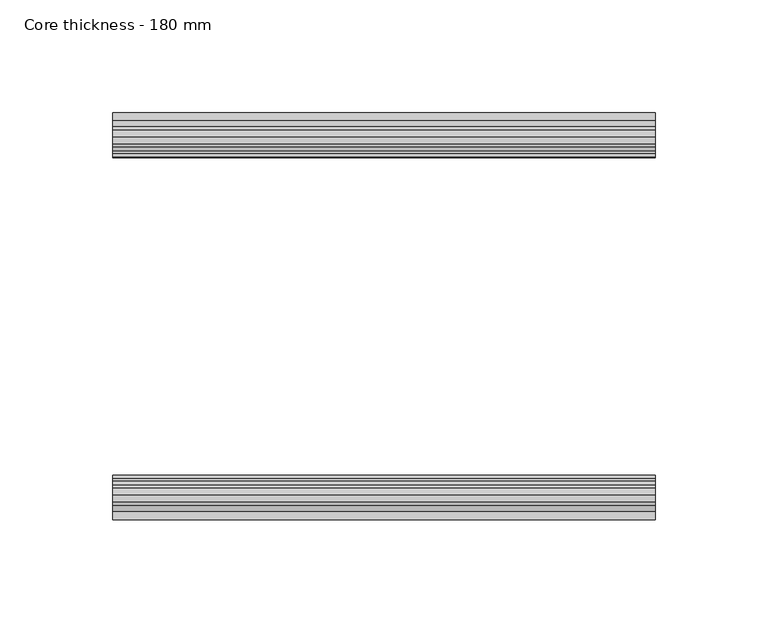
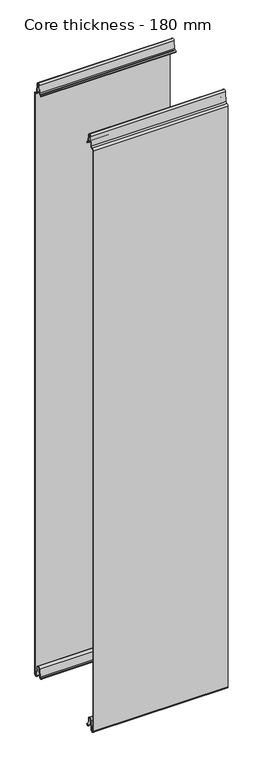
"""IFC4 building model written with IfcOpenShell, lengths in millimetres: plate geometry, Core thickness - 180 mm."""

from ifc_helpers import new_model, si_unit, frame, origin, place, context, project, spatial, polyline, circle_curve, source, transform, mapped, element, save
from ifc_brep_helpers import plane_surface, cylinder_surface, revolved_surface, advanced_brep


def core_thickness_180_mm_91efd744(model_context):
    return source(origin(), model_context, "Body", "AdvancedBrep", [
        advanced_brep(
        [(119.9999998, -179.1996949, 1093.8000005), (119.9999998, -176.6339815, 1096.1942726), (119.9999998, -173.1209335, 1099.1779769), (119.9999998, -171.4584333, 1116.1334653), (119.9999998, -169.1776715, 1118.1999998), (119.9999998, -166.8969097, 1116.1334653), (119.9999998, -165.5642071, 1102.5415123), (119.9999998, -162.9766159, 1100.1952279), (119.9999998, -161.8996949, 1100.1952279), (119.9999998, -161.2996949, 1099.5952279), (119.9999998, -161.2996949, 1098.4952279), (119.9999998, -160.4996949, 1098.4952279), (119.9999998, -160.4996949, 1099.5952279), (119.9999998, -161.8996949, 1100.9952279), (119.9999998, -162.9766159, 1100.9952279), (119.9999998, -164.7680252, 1102.6195786), (119.9999998, -166.1007278, 1116.2115316), (119.9999998, -169.1776715, 1119.0), (119.9999998, -172.2546153, 1116.2115316), (119.9999998, -173.9171154, 1099.2560432), (119.9999998, -176.5778021, 1097.005967), (119.9999998, -179.9996949, 1093.8000005), (119.9999998, -179.9996949, 2.9900682), (119.9999998, -173.81449, 2.6875612), (119.9999998, -172.197116, 19.1828169), (119.9999998, -169.1776715, 21.8898782), (119.9999998, -166.1582271, 19.1828169), (119.9999998, -164.7725998, 5.0510966), (119.9999998, -160.3830995, 5.265779), (119.9999998, -161.1830995, 5.265779), (119.9999998, -163.9764178, 5.1291629), (119.9999998, -165.3620451, 19.2608832), (119.9999998, -169.1776715, 22.6899182), (119.9999998, -172.9932979, 19.2608832), (119.9999998, -174.6106719, 2.7656275), (119.9999998, -179.1996949, 2.9900682), (-119.9999998, -179.2, 1093.8000005), (-119.9999998, -179.2, 2.9900682), (-119.9999998, -174.6106719, 2.7656275), (-119.9999998, -172.9932979, 19.2608832), (-119.9999998, -169.1776715, 22.6899182), (-119.9999998, -165.3620451, 19.2608832), (-119.9999998, -163.9764178, 5.1291629), (-119.9999998, -161.1830995, 5.265779), (-119.9999998, -160.3830995, 5.265779), (-119.9999998, -164.7725998, 5.0510966), (-119.9999998, -166.1582271, 19.1828169), (-119.9999998, -169.1776715, 21.8898782), (-119.9999998, -172.197116, 19.1828169), (-119.9999998, -173.81449, 2.6875612), (-119.9999998, -179.9996949, 2.9900682), (-119.9999998, -179.9996949, 1093.8000005), (-119.9999998, -176.5787437, 1096.9923633), (-119.9999998, -173.9171154, 1099.2560432), (-119.9999998, -172.2546153, 1116.2115316), (-119.9999998, -169.1776715, 1119.0), (-119.9999998, -166.1007278, 1116.2115316), (-119.9999998, -164.7680252, 1102.6195786), (-119.9999998, -162.9766159, 1100.9952279), (-119.9999998, -161.8996949, 1100.9952279), (-119.9999998, -160.4996949, 1099.5952279), (-119.9999998, -160.4996949, 1098.4952279), (-119.9999998, -161.2996949, 1098.4952279), (-119.9999998, -161.2996949, 1099.5952279), (-119.9999998, -161.8996949, 1100.1952279), (-119.9999998, -162.9766159, 1100.1952279), (-119.9999998, -165.5642071, 1102.5415123), (-119.9999998, -166.8969097, 1116.1334653), (-119.9999998, -169.1776715, 1118.1999998), (-119.9999998, -171.4584333, 1116.1334653), (-119.9999998, -173.1209335, 1099.1779769), (-119.9999998, -176.6330399, 1096.2078763)],
        [
            (0, 1, circle_curve(frame((119.9999998, -176.7996949, 1093.8000005), z_axis=(-1.0, 0.0, 0.0), x_axis=(0.0, 0.0, -1.0)), 2.4)),
            (1, 2, circle_curve(frame((119.9999998, -176.4051839, 1099.5000005), z_axis=(1.0, 0.0, 0.0), x_axis=(0.0, 0.0, -1.0)), 3.3)),
            (2, 3),
            (3, 4, circle_curve(frame((119.9999998, -169.1793626, 1115.9100005), z_axis=(-1.0, 0.0, 0.0), x_axis=(0.0, 0.0, -1.0)), 2.29)),
            (4, 5, circle_curve(frame((119.9999998, -169.1759805, 1115.9100005), z_axis=(-1.0, 0.0, 0.0), x_axis=(0.0, 0.0, -1.0)), 2.29)),
            (5, 6),
            (6, 7, circle_curve(frame((119.9999998, -162.9766159, 1102.7952279), z_axis=(1.0, 0.0, 0.0), x_axis=(0.0, 0.0, -1.0)), 2.6)),
            (7, 8),
            (8, 9, circle_curve(frame((119.9999998, -161.8996949, 1099.5952279), z_axis=(-1.0, 0.0, 0.0), x_axis=(0.0, 0.0, -1.0)), 0.6)),
            (9, 10),
            (10, 11),
            (11, 12),
            (12, 13, circle_curve(frame((119.9999998, -161.8996949, 1099.5952279), z_axis=(1.0, 0.0, 0.0), x_axis=(0.0, 0.0, -1.0)), 1.4)),
            (13, 14),
            (14, 15, circle_curve(frame((119.9999998, -162.9766159, 1102.7952279), z_axis=(-1.0, 0.0, 0.0), x_axis=(0.0, 0.0, -1.0)), 1.8)),
            (15, 16),
            (16, 17, circle_curve(frame((119.9999998, -169.1759805, 1115.9100005), z_axis=(1.0, 0.0, 0.0), x_axis=(0.0, 0.0, -1.0)), 3.09)),
            (17, 18, circle_curve(frame((119.9999998, -169.1793626, 1115.9100005), z_axis=(1.0, 0.0, 0.0), x_axis=(0.0, 0.0, -1.0)), 3.09)),
            (18, 19),
            (19, 20, circle_curve(frame((119.9999998, -176.4051839, 1099.5000005), z_axis=(-1.0, 0.0, 0.0), x_axis=(0.0, 0.0, -1.0)), 2.5)),
            (20, 21, circle_curve(frame((119.9999998, -176.7996949, 1093.8000005), z_axis=(1.0, 0.0, 0.0), x_axis=(0.0, 0.0, -1.0)), 3.2)),
            (21, 22),
            (22, 23, circle_curve(frame((119.9999998, -176.8996949, 2.9900682), z_axis=(1.0, 0.0, 0.0), x_axis=(0.0, 0.0, -1.0)), 3.1)),
            (23, 24),
            (24, 25, circle_curve(frame((119.9999998, -169.2114338, 18.8900682), z_axis=(-1.0, 0.0, 0.0), x_axis=(0.0, 0.0, -1.0)), 3.0)),
            (25, 26, circle_curve(frame((119.9999998, -169.1439093, 18.8900682), z_axis=(-1.0, 0.0, 0.0), x_axis=(0.0, 0.0, -1.0)), 3.0)),
            (26, 27),
            (27, 28, circle_curve(frame((119.9999998, -162.5830995, 5.265779), z_axis=(1.0, 0.0, 0.0), x_axis=(0.0, 0.0, -1.0)), 2.2)),
            (28, 29),
            (29, 30, circle_curve(frame((119.9999998, -162.5830995, 5.265779), z_axis=(-1.0, 0.0, 0.0), x_axis=(0.0, 0.0, -1.0)), 1.4)),
            (30, 31),
            (31, 32, circle_curve(frame((119.9999998, -169.1439093, 18.8900682), z_axis=(1.0, 0.0, 0.0), x_axis=(0.0, 0.0, -1.0)), 3.8)),
            (32, 33, circle_curve(frame((119.9999998, -169.2114338, 18.8900682), z_axis=(1.0, 0.0, 0.0), x_axis=(0.0, 0.0, -1.0)), 3.8)),
            (33, 34),
            (34, 35, circle_curve(frame((119.9999998, -176.8996949, 2.9900682), z_axis=(-1.0, 0.0, 0.0), x_axis=(0.0, 0.0, -1.0)), 2.3)),
            (35, 0),
            (36, 37),
            (37, 38, circle_curve(frame((-119.9999998, -176.8996949, 2.9900682), z_axis=(1.0, 0.0, 0.0), x_axis=(0.0, 0.0, -1.0)), 2.3)),
            (38, 39),
            (39, 40, circle_curve(frame((-119.9999998, -169.2114338, 18.8900682), z_axis=(-1.0, 0.0, 0.0), x_axis=(0.0, 0.0, -1.0)), 3.8)),
            (40, 41, circle_curve(frame((-119.9999998, -169.1439093, 18.8900682), z_axis=(-1.0, 0.0, 0.0), x_axis=(0.0, 0.0, -1.0)), 3.8)),
            (41, 42),
            (42, 43, circle_curve(frame((-119.9999998, -162.5830995, 5.265779), z_axis=(1.0, 0.0, 0.0), x_axis=(0.0, 0.0, -1.0)), 1.4)),
            (43, 44),
            (44, 45, circle_curve(frame((-119.9999998, -162.5830995, 5.265779), z_axis=(-1.0, 0.0, 0.0), x_axis=(0.0, 0.0, -1.0)), 2.2)),
            (45, 46),
            (46, 47, circle_curve(frame((-119.9999998, -169.1439093, 18.8900682), z_axis=(1.0, 0.0, 0.0), x_axis=(0.0, 0.0, -1.0)), 3.0)),
            (47, 48, circle_curve(frame((-119.9999998, -169.2114338, 18.8900682), z_axis=(1.0, 0.0, 0.0), x_axis=(0.0, 0.0, -1.0)), 3.0)),
            (48, 49),
            (49, 50, circle_curve(frame((-119.9999998, -176.8996949, 2.9900682), z_axis=(-1.0, 0.0, 0.0), x_axis=(0.0, 0.0, -1.0)), 3.1)),
            (50, 51),
            (51, 52, circle_curve(frame((-119.9999998, -176.7996949, 1093.8000005), z_axis=(-1.0, 0.0, 0.0), x_axis=(0.0, 0.0, -1.0)), 3.2)),
            (52, 53, circle_curve(frame((-119.9999998, -176.4051839, 1099.5000005), z_axis=(1.0, 0.0, 0.0), x_axis=(0.0, 0.0, -1.0)), 2.5)),
            (53, 54),
            (54, 55, circle_curve(frame((-119.9999998, -169.1793626, 1115.9100005), z_axis=(-1.0, 0.0, 0.0), x_axis=(0.0, 0.0, -1.0)), 3.09)),
            (55, 56, circle_curve(frame((-119.9999998, -169.1759805, 1115.9100005), z_axis=(-1.0, 0.0, 0.0), x_axis=(0.0, 0.0, -1.0)), 3.09)),
            (56, 57),
            (57, 58, circle_curve(frame((-119.9999998, -162.9766159, 1102.7952279), z_axis=(1.0, 0.0, 0.0), x_axis=(0.0, 0.0, -1.0)), 1.8)),
            (58, 59),
            (59, 60, circle_curve(frame((-119.9999998, -161.8996949, 1099.5952279), z_axis=(-1.0, 0.0, 0.0), x_axis=(0.0, 0.0, -1.0)), 1.4)),
            (60, 61),
            (61, 62),
            (62, 63),
            (63, 64, circle_curve(frame((-119.9999998, -161.8996949, 1099.5952279), z_axis=(1.0, 0.0, 0.0), x_axis=(0.0, 0.0, -1.0)), 0.6)),
            (64, 65),
            (65, 66, circle_curve(frame((-119.9999998, -162.9766159, 1102.7952279), z_axis=(-1.0, 0.0, 0.0), x_axis=(0.0, 0.0, -1.0)), 2.6)),
            (66, 67),
            (67, 68, circle_curve(frame((-119.9999998, -169.1759805, 1115.9100005), z_axis=(1.0, 0.0, 0.0), x_axis=(0.0, 0.0, -1.0)), 2.29)),
            (68, 69, circle_curve(frame((-119.9999998, -169.1793626, 1115.9100005), z_axis=(1.0, 0.0, 0.0), x_axis=(0.0, 0.0, -1.0)), 2.29)),
            (69, 70),
            (70, 71, circle_curve(frame((-119.9999998, -176.4051839, 1099.5000005), z_axis=(-1.0, 0.0, 0.0), x_axis=(0.0, 0.0, -1.0)), 3.3)),
            (71, 36, circle_curve(frame((-119.9999998, -176.7996949, 1093.8000005), z_axis=(1.0, 0.0, 0.0), x_axis=(0.0, 0.0, -1.0)), 2.4)),
            (35, 37),
            (36, 0),
            (21, 51),
            (50, 22),
            (20, 52),
            (19, 53),
            (18, 54),
            (17, 55),
            (16, 56),
            (15, 57),
            (14, 58),
            (13, 59),
            (12, 60),
            (11, 61),
            (10, 62),
            (9, 63),
            (8, 64),
            (7, 65),
            (6, 66),
            (5, 67),
            (4, 68),
            (3, 69),
            (2, 70),
            (1, 71),
            (34, 38),
            (33, 39),
            (32, 40),
            (31, 41),
            (30, 42),
            (29, 43),
            (28, 44),
            (27, 45),
            (26, 46),
            (25, 47),
            (24, 48),
            (23, 49),
        ],
        [
            plane_surface(frame((119.9999998, -180.0, 0.0), z_axis=(1.0, 0.0, 0.0), x_axis=(0.0, 1.0, 0.0))),
            plane_surface(frame((-119.9999998, -180.0, 0.0), z_axis=(-1.0, 0.0, 0.0), x_axis=(0.0, 1.0, 0.0))),
            plane_surface(frame((119.9999998, -179.2, 2.9900682), z_axis=(0.0, 1.0, 0.0), x_axis=(-1.0, 0.0, 0.0))),
            plane_surface(frame((119.9999998, -179.9996949, 1093.8000005), z_axis=(0.0, -1.0, 0.0), x_axis=(-1.0, 0.0, 0.0))),
            cylinder_surface(frame((119.9999998, -176.7996949, 1093.8000005), z_axis=(1.0, 0.0, 0.0), x_axis=(0.0, 0.0, -1.0)), 3.2),
            revolved_surface(polyline([(-119.9999998, -176.4051839, 1097.0000005), (119.9999998, -176.4051839, 1097.0000005)]), (119.9999998, -176.4051839, 1099.5000005), (-1.0, 0.0, 0.0)),
            plane_surface(frame((119.9999998, -172.2546153, 1116.2115316), z_axis=(0.0, -0.9952273999818317, 0.0975828997591444), x_axis=(-1.0, 0.0, 0.0))),
            cylinder_surface(frame((119.9999998, -169.1793626, 1115.9100005), z_axis=(1.0, 0.0, 0.0), x_axis=(0.0, 0.0, -1.0)), 3.09),
            cylinder_surface(frame((119.9999998, -169.1759805, 1115.9100005), z_axis=(1.0, 0.0, 0.0), x_axis=(0.0, 0.0, -1.0)), 3.09),
            plane_surface(frame((119.9999998, -164.7680252, 1102.6195786), z_axis=(0.0, 0.9952273999818314, 0.0975828997591471), x_axis=(-1.0, 0.0, 0.0))),
            revolved_surface(polyline([(-119.9999998, -162.9766159, 1100.9952279000001), (119.9999998, -162.9766159, 1100.9952279000001)]), (119.9999998, -162.9766159, 1102.7952279), (-1.0, 0.0, 0.0)),
            plane_surface(frame((119.9999998, -161.8996949, 1100.9952279), z_axis=(0.0, 0.0, 1.0), x_axis=(-1.0, 0.0, 0.0))),
            cylinder_surface(frame((119.9999998, -161.8996949, 1099.5952279), z_axis=(1.0, 0.0, 0.0), x_axis=(0.0, 0.0, -1.0)), 1.4),
            plane_surface(frame((119.9999998, -160.4996949, 1098.4952279), z_axis=(0.0, 1.0, 0.0), x_axis=(-1.0, 0.0, 0.0))),
            plane_surface(frame((119.9999998, -161.2996949, 1098.4952279), z_axis=(0.0, 0.0, -1.0), x_axis=(-1.0, 0.0, 0.0))),
            plane_surface(frame((119.9999998, -161.2996949, 1099.5952279), z_axis=(0.0, -1.0, 0.0), x_axis=(-1.0, 0.0, 0.0))),
            revolved_surface(polyline([(-119.9999998, -161.8996949, 1098.9952279000001), (119.9999998, -161.8996949, 1098.9952279000001)]), (119.9999998, -161.8996949, 1099.5952279), (-1.0, 0.0, 0.0)),
            plane_surface(frame((119.9999998, -162.9766159, 1100.1952279), z_axis=(0.0, 0.0, -1.0), x_axis=(-1.0, 0.0, 0.0))),
            cylinder_surface(frame((119.9999998, -162.9766159, 1102.7952279), z_axis=(1.0, 0.0, 0.0), x_axis=(0.0, 0.0, -1.0)), 2.6),
            plane_surface(frame((119.9999998, -166.8969097, 1116.1334653), z_axis=(0.0, -0.9952273999818314, -0.09758289975914705), x_axis=(-1.0, 0.0, 0.0))),
            revolved_surface(polyline([(-119.9999998, -169.1759805, 1113.6200005), (119.9999998, -169.1759805, 1113.6200005)]), (119.9999998, -169.1759805, 1115.9100005), (-1.0, 0.0, 0.0)),
            revolved_surface(polyline([(-119.9999998, -169.1793626, 1113.6200005), (119.9999998, -169.1793626, 1113.6200005)]), (119.9999998, -169.1793626, 1115.9100005), (-1.0, 0.0, 0.0)),
            plane_surface(frame((119.9999998, -173.1209335, 1099.1779769), z_axis=(0.0, 0.9952273999818317, -0.09758289975914436), x_axis=(-1.0, 0.0, 0.0))),
            cylinder_surface(frame((119.9999998, -176.4051839, 1099.5000005), z_axis=(1.0, 0.0, 0.0), x_axis=(0.0, 0.0, -1.0)), 3.3),
            revolved_surface(polyline([(-119.9999998, -176.7996949, 1091.4000004999998), (119.9999998, -176.7996949, 1091.4000004999998)]), (119.9999998, -176.7996949, 1093.8000005), (-1.0, 0.0, 0.0)),
            revolved_surface(polyline([(-119.9999998, -176.8996949, 0.6900682000000002), (119.9999998, -176.8996949, 0.6900682000000002)]), (119.9999998, -176.8996949, 2.9900682), (-1.0, 0.0, 0.0)),
            plane_surface(frame((119.9999998, -172.9932979, 19.2608832), z_axis=(0.0, -0.9952273999818314, 0.09758289975914787), x_axis=(-1.0, 0.0, 0.0))),
            cylinder_surface(frame((119.9999998, -169.2114338, 18.8900682), z_axis=(1.0, 0.0, 0.0), x_axis=(0.0, 0.0, -1.0)), 3.8),
            cylinder_surface(frame((119.9999998, -169.1439093, 18.8900682), z_axis=(1.0, 0.0, 0.0), x_axis=(0.0, 0.0, -1.0)), 3.8),
            plane_surface(frame((119.9999998, -163.9764178, 5.1291629), z_axis=(0.0, 0.9952273999818297, 0.09758289975916531), x_axis=(-1.0, 0.0, 0.0))),
            revolved_surface(polyline([(-119.9999998, -162.5830995, 3.8657790000000003), (119.9999998, -162.5830995, 3.8657790000000003)]), (119.9999998, -162.5830995, 5.265779), (-1.0, 0.0, 0.0)),
            plane_surface(frame((119.9999998, -160.3830995, 5.265779), z_axis=(0.0, 0.0, 1.0), x_axis=(-1.0, 0.0, 0.0))),
            cylinder_surface(frame((119.9999998, -162.5830995, 5.265779), z_axis=(1.0, 0.0, 0.0), x_axis=(0.0, 0.0, -1.0)), 2.2),
            plane_surface(frame((119.9999998, -166.1582271, 19.1828169), z_axis=(0.0, -0.9952273999818296, -0.09758289975916527), x_axis=(-1.0, 0.0, 0.0))),
            revolved_surface(polyline([(-119.9999998, -169.1439093, 15.890068200000002), (119.9999998, -169.1439093, 15.890068200000002)]), (119.9999998, -169.1439093, 18.8900682), (-1.0, 0.0, 0.0)),
            revolved_surface(polyline([(-119.9999998, -169.2114338, 15.890068200000002), (119.9999998, -169.2114338, 15.890068200000002)]), (119.9999998, -169.2114338, 18.8900682), (-1.0, 0.0, 0.0)),
            plane_surface(frame((119.9999998, -173.81449, 2.6875612), z_axis=(0.0, 0.9952273999818314, -0.09758289975914787), x_axis=(-1.0, 0.0, 0.0))),
            cylinder_surface(frame((119.9999998, -176.8996949, 2.9900682), z_axis=(1.0, 0.0, 0.0), x_axis=(0.0, 0.0, -1.0)), 3.1),
        ],
        [
            (0, [[1, 2, 3, 4, 5, 6, 7, 8, 9, 10, 11, 12, 13, 14, 15, 16, 17, 18, 19, 20, 21, 22, 23, 24, 25, 26, 27, 28, 29, 30, 31, 32, 33, 34, 35, 36]]),
            (1, [[37, 38, 39, 40, 41, 42, 43, 44, 45, 46, 47, 48, 49, 50, 51, 52, 53, 54, 55, 56, 57, 58, 59, 60, 61, 62, 63, 64, 65, 66, 67, 68, 69, 70, 71, 72]]),
            (2, [[-36, 73, -37, 74]]),
            (3, [[-22, 75, -51, 76]]),
            (4, [[-21, 77, -52, -75]]),
            (5, [[-20, 78, -53, -77]]),
            (6, [[-19, 79, -54, -78]]),
            (7, [[-18, 80, -55, -79]]),
            (8, [[-17, 81, -56, -80]]),
            (9, [[-16, 82, -57, -81]]),
            (10, [[-15, 83, -58, -82]]),
            (11, [[-14, 84, -59, -83]]),
            (12, [[-13, 85, -60, -84]]),
            (13, [[-12, 86, -61, -85]]),
            (14, [[-11, 87, -62, -86]]),
            (15, [[-10, 88, -63, -87]]),
            (16, [[-9, 89, -64, -88]]),
            (17, [[-8, 90, -65, -89]]),
            (18, [[-7, 91, -66, -90]]),
            (19, [[-6, 92, -67, -91]]),
            (20, [[-5, 93, -68, -92]]),
            (21, [[-4, 94, -69, -93]]),
            (22, [[-3, 95, -70, -94]]),
            (23, [[-2, 96, -71, -95]]),
            (24, [[-1, -74, -72, -96]]),
            (25, [[-35, 97, -38, -73]]),
            (26, [[-34, 98, -39, -97]]),
            (27, [[-33, 99, -40, -98]]),
            (28, [[-32, 100, -41, -99]]),
            (29, [[-31, 101, -42, -100]]),
            (30, [[-30, 102, -43, -101]]),
            (31, [[-29, 103, -44, -102]]),
            (32, [[-28, 104, -45, -103]]),
            (33, [[-27, 105, -46, -104]]),
            (34, [[-26, 106, -47, -105]]),
            (35, [[-25, 107, -48, -106]]),
            (36, [[-24, 108, -49, -107]]),
            (37, [[-23, -76, -50, -108]]),
        ],
    ),
        advanced_brep(
        [(119.9999998, -0.8, 1093.8000005), (119.9999998, -0.8, 2.9900682), (119.9999998, -5.3893281, 2.7656275), (119.9999998, -7.0067021, 19.2608832), (119.9999998, -10.8223285, 22.6899182), (119.9999998, -14.6379549, 19.2608832), (119.9999998, -16.0235822, 5.1291629), (119.9999998, -18.8169005, 5.265779), (119.9999998, -19.6169005, 5.265779), (119.9999998, -15.2274002, 5.0510966), (119.9999998, -13.8417729, 19.1828169), (119.9999998, -10.8223285, 21.8898782), (119.9999998, -7.802884, 19.1828169), (119.9999998, -6.18551, 2.6875612), (119.9999998, -0.0003051, 2.9900682), (119.9999998, -0.0003051, 1093.8000005), (119.9999998, -3.4212563, 1096.9923633), (119.9999998, -6.0828846, 1099.2560432), (119.9999998, -7.7453847, 1116.2115316), (119.9999998, -10.8223285, 1119.0), (119.9999998, -13.8992722, 1116.2115316), (119.9999998, -15.2319748, 1102.6195786), (119.9999998, -17.0233841, 1100.9952279), (119.9999998, -18.1003051, 1100.9952279), (119.9999998, -19.5003051, 1099.5952279), (119.9999998, -19.5003051, 1098.4952279), (119.9999998, -18.7003051, 1098.4952279), (119.9999998, -18.7003051, 1099.5952279), (119.9999998, -18.1003051, 1100.1952279), (119.9999998, -17.0233841, 1100.1952279), (119.9999998, -14.4357929, 1102.5415123), (119.9999998, -13.1030903, 1116.1334653), (119.9999998, -10.8223285, 1118.1999998), (119.9999998, -8.5415667, 1116.1334653), (119.9999998, -6.8790665, 1099.1779769), (119.9999998, -3.3669601, 1096.2078763), (-119.9999998, -0.8003051, 1093.8000005), (-119.9999998, -3.3660185, 1096.1942726), (-119.9999998, -6.8790665, 1099.1779769), (-119.9999998, -8.5415667, 1116.1334653), (-119.9999998, -10.8223285, 1118.1999998), (-119.9999998, -13.1030903, 1116.1334653), (-119.9999998, -14.4357929, 1102.5415123), (-119.9999998, -17.0233841, 1100.1952279), (-119.9999998, -18.1003051, 1100.1952279), (-119.9999998, -18.7003051, 1099.5952279), (-119.9999998, -18.7003051, 1098.4952279), (-119.9999998, -19.5003051, 1098.4952279), (-119.9999998, -19.5003051, 1099.5952279), (-119.9999998, -18.1003051, 1100.9952279), (-119.9999998, -17.0233841, 1100.9952279), (-119.9999998, -15.2319748, 1102.6195786), (-119.9999998, -13.8992722, 1116.2115316), (-119.9999998, -10.8223285, 1119.0), (-119.9999998, -7.7453847, 1116.2115316), (-119.9999998, -6.0828846, 1099.2560432), (-119.9999998, -3.4221979, 1097.005967), (-119.9999998, -0.0003051, 1093.8000005), (-119.9999998, -0.0003051, 2.9900682), (-119.9999998, -6.18551, 2.6875612), (-119.9999998, -7.802884, 19.1828169), (-119.9999998, -10.8223285, 21.8898782), (-119.9999998, -13.8417729, 19.1828169), (-119.9999998, -15.2274002, 5.0510966), (-119.9999998, -19.6169005, 5.265779), (-119.9999998, -18.8169005, 5.265779), (-119.9999998, -16.0235822, 5.1291629), (-119.9999998, -14.6379549, 19.2608832), (-119.9999998, -10.8223285, 22.6899182), (-119.9999998, -7.0067021, 19.2608832), (-119.9999998, -5.3893281, 2.7656275), (-119.9999998, -0.8003051, 2.9900682)],
        [
            (0, 1),
            (1, 2, circle_curve(frame((119.9999998, -3.1003051, 2.9900682), z_axis=(-1.0, 0.0, 0.0), x_axis=(0.0, 0.0, -1.0)), 2.3)),
            (2, 3),
            (3, 4, circle_curve(frame((119.9999998, -10.7885662, 18.8900682), z_axis=(1.0, 0.0, 0.0), x_axis=(0.0, 0.0, -1.0)), 3.8)),
            (4, 5, circle_curve(frame((119.9999998, -10.8560907, 18.8900682), z_axis=(1.0, 0.0, 0.0), x_axis=(0.0, 0.0, -1.0)), 3.8)),
            (5, 6),
            (6, 7, circle_curve(frame((119.9999998, -17.4169005, 5.265779), z_axis=(-1.0, 0.0, 0.0), x_axis=(0.0, 0.0, -1.0)), 1.4)),
            (7, 8),
            (8, 9, circle_curve(frame((119.9999998, -17.4169005, 5.265779), z_axis=(1.0, 0.0, 0.0), x_axis=(0.0, 0.0, -1.0)), 2.2)),
            (9, 10),
            (10, 11, circle_curve(frame((119.9999998, -10.8560907, 18.8900682), z_axis=(-1.0, 0.0, 0.0), x_axis=(0.0, 0.0, -1.0)), 3.0)),
            (11, 12, circle_curve(frame((119.9999998, -10.7885662, 18.8900682), z_axis=(-1.0, 0.0, 0.0), x_axis=(0.0, 0.0, -1.0)), 3.0)),
            (12, 13),
            (13, 14, circle_curve(frame((119.9999998, -3.1003051, 2.9900682), z_axis=(1.0, 0.0, 0.0), x_axis=(0.0, 0.0, -1.0)), 3.1)),
            (14, 15),
            (15, 16, circle_curve(frame((119.9999998, -3.2003051, 1093.8000005), z_axis=(1.0, 0.0, 0.0), x_axis=(0.0, 0.0, -1.0)), 3.2)),
            (16, 17, circle_curve(frame((119.9999998, -3.5948161, 1099.5000005), z_axis=(-1.0, 0.0, 0.0), x_axis=(0.0, 0.0, -1.0)), 2.5)),
            (17, 18),
            (18, 19, circle_curve(frame((119.9999998, -10.8206374, 1115.9100005), z_axis=(1.0, 0.0, 0.0), x_axis=(0.0, 0.0, -1.0)), 3.09)),
            (19, 20, circle_curve(frame((119.9999998, -10.8240195, 1115.9100005), z_axis=(1.0, 0.0, 0.0), x_axis=(0.0, 0.0, -1.0)), 3.09)),
            (20, 21),
            (21, 22, circle_curve(frame((119.9999998, -17.0233841, 1102.7952279), z_axis=(-1.0, 0.0, 0.0), x_axis=(0.0, 0.0, -1.0)), 1.8)),
            (22, 23),
            (23, 24, circle_curve(frame((119.9999998, -18.1003051, 1099.5952279), z_axis=(1.0, 0.0, 0.0), x_axis=(0.0, 0.0, -1.0)), 1.4)),
            (24, 25),
            (25, 26),
            (26, 27),
            (27, 28, circle_curve(frame((119.9999998, -18.1003051, 1099.5952279), z_axis=(-1.0, 0.0, 0.0), x_axis=(0.0, 0.0, -1.0)), 0.6)),
            (28, 29),
            (29, 30, circle_curve(frame((119.9999998, -17.0233841, 1102.7952279), z_axis=(1.0, 0.0, 0.0), x_axis=(0.0, 0.0, -1.0)), 2.6)),
            (30, 31),
            (31, 32, circle_curve(frame((119.9999998, -10.8240195, 1115.9100005), z_axis=(-1.0, 0.0, 0.0), x_axis=(0.0, 0.0, -1.0)), 2.29)),
            (32, 33, circle_curve(frame((119.9999998, -10.8206374, 1115.9100005), z_axis=(-1.0, 0.0, 0.0), x_axis=(0.0, 0.0, -1.0)), 2.29)),
            (33, 34),
            (34, 35, circle_curve(frame((119.9999998, -3.5948161, 1099.5000005), z_axis=(1.0, 0.0, 0.0), x_axis=(0.0, 0.0, -1.0)), 3.3)),
            (35, 0, circle_curve(frame((119.9999998, -3.2003051, 1093.8000005), z_axis=(-1.0, 0.0, 0.0), x_axis=(0.0, 0.0, -1.0)), 2.4)),
            (36, 37, circle_curve(frame((-119.9999998, -3.2003051, 1093.8000005), z_axis=(1.0, 0.0, 0.0), x_axis=(0.0, 0.0, -1.0)), 2.4)),
            (37, 38, circle_curve(frame((-119.9999998, -3.5948161, 1099.5000005), z_axis=(-1.0, 0.0, 0.0), x_axis=(0.0, 0.0, -1.0)), 3.3)),
            (38, 39),
            (39, 40, circle_curve(frame((-119.9999998, -10.8206374, 1115.9100005), z_axis=(1.0, 0.0, 0.0), x_axis=(0.0, 0.0, -1.0)), 2.29)),
            (40, 41, circle_curve(frame((-119.9999998, -10.8240195, 1115.9100005), z_axis=(1.0, 0.0, 0.0), x_axis=(0.0, 0.0, -1.0)), 2.29)),
            (41, 42),
            (42, 43, circle_curve(frame((-119.9999998, -17.0233841, 1102.7952279), z_axis=(-1.0, 0.0, 0.0), x_axis=(0.0, 0.0, -1.0)), 2.6)),
            (43, 44),
            (44, 45, circle_curve(frame((-119.9999998, -18.1003051, 1099.5952279), z_axis=(1.0, 0.0, 0.0), x_axis=(0.0, 0.0, -1.0)), 0.6)),
            (45, 46),
            (46, 47),
            (47, 48),
            (48, 49, circle_curve(frame((-119.9999998, -18.1003051, 1099.5952279), z_axis=(-1.0, 0.0, 0.0), x_axis=(0.0, 0.0, -1.0)), 1.4)),
            (49, 50),
            (50, 51, circle_curve(frame((-119.9999998, -17.0233841, 1102.7952279), z_axis=(1.0, 0.0, 0.0), x_axis=(0.0, 0.0, -1.0)), 1.8)),
            (51, 52),
            (52, 53, circle_curve(frame((-119.9999998, -10.8240195, 1115.9100005), z_axis=(-1.0, 0.0, 0.0), x_axis=(0.0, 0.0, -1.0)), 3.09)),
            (53, 54, circle_curve(frame((-119.9999998, -10.8206374, 1115.9100005), z_axis=(-1.0, 0.0, 0.0), x_axis=(0.0, 0.0, -1.0)), 3.09)),
            (54, 55),
            (55, 56, circle_curve(frame((-119.9999998, -3.5948161, 1099.5000005), z_axis=(1.0, 0.0, 0.0), x_axis=(0.0, 0.0, -1.0)), 2.5)),
            (56, 57, circle_curve(frame((-119.9999998, -3.2003051, 1093.8000005), z_axis=(-1.0, 0.0, 0.0), x_axis=(0.0, 0.0, -1.0)), 3.2)),
            (57, 58),
            (58, 59, circle_curve(frame((-119.9999998, -3.1003051, 2.9900682), z_axis=(-1.0, 0.0, 0.0), x_axis=(0.0, 0.0, -1.0)), 3.1)),
            (59, 60),
            (60, 61, circle_curve(frame((-119.9999998, -10.7885662, 18.8900682), z_axis=(1.0, 0.0, 0.0), x_axis=(0.0, 0.0, -1.0)), 3.0)),
            (61, 62, circle_curve(frame((-119.9999998, -10.8560907, 18.8900682), z_axis=(1.0, 0.0, 0.0), x_axis=(0.0, 0.0, -1.0)), 3.0)),
            (62, 63),
            (63, 64, circle_curve(frame((-119.9999998, -17.4169005, 5.265779), z_axis=(-1.0, 0.0, 0.0), x_axis=(0.0, 0.0, -1.0)), 2.2)),
            (64, 65),
            (65, 66, circle_curve(frame((-119.9999998, -17.4169005, 5.265779), z_axis=(1.0, 0.0, 0.0), x_axis=(0.0, 0.0, -1.0)), 1.4)),
            (66, 67),
            (67, 68, circle_curve(frame((-119.9999998, -10.8560907, 18.8900682), z_axis=(-1.0, 0.0, 0.0), x_axis=(0.0, 0.0, -1.0)), 3.8)),
            (68, 69, circle_curve(frame((-119.9999998, -10.7885662, 18.8900682), z_axis=(-1.0, 0.0, 0.0), x_axis=(0.0, 0.0, -1.0)), 3.8)),
            (69, 70),
            (70, 71, circle_curve(frame((-119.9999998, -3.1003051, 2.9900682), z_axis=(1.0, 0.0, 0.0), x_axis=(0.0, 0.0, -1.0)), 2.3)),
            (71, 36),
            (35, 37),
            (36, 0),
            (34, 38),
            (33, 39),
            (32, 40),
            (31, 41),
            (30, 42),
            (29, 43),
            (28, 44),
            (27, 45),
            (26, 46),
            (25, 47),
            (24, 48),
            (23, 49),
            (22, 50),
            (21, 51),
            (20, 52),
            (19, 53),
            (18, 54),
            (17, 55),
            (16, 56),
            (15, 57),
            (14, 58),
            (71, 1),
            (13, 59),
            (12, 60),
            (11, 61),
            (10, 62),
            (9, 63),
            (8, 64),
            (7, 65),
            (6, 66),
            (5, 67),
            (4, 68),
            (3, 69),
            (2, 70),
        ],
        [
            plane_surface(frame((119.9999998, 0.0, 0.0), z_axis=(1.0, 0.0, 0.0), x_axis=(0.0, -1.0, 0.0))),
            plane_surface(frame((-119.9999998, 0.0, 0.0), z_axis=(-1.0, 0.0, 0.0), x_axis=(0.0, -1.0, 0.0))),
            revolved_surface(polyline([(-119.9999998, -3.2003051, 1091.4000004999998), (119.9999998, -3.2003051, 1091.4000004999998)]), (119.9999998, -3.2003051, 1093.8000005), (-1.0, 0.0, 0.0)),
            cylinder_surface(frame((119.9999998, -3.5948161, 1099.5000005), z_axis=(1.0, 0.0, 0.0), x_axis=(0.0, 0.0, -1.0)), 3.3),
            plane_surface(frame((119.9999998, -8.5415667, 1116.1334653), z_axis=(0.0, -0.9952273999818317, -0.09758289975914436), x_axis=(-1.0, 0.0, 0.0))),
            revolved_surface(polyline([(-119.9999998, -10.8206374, 1113.6200005), (119.9999998, -10.8206374, 1113.6200005)]), (119.9999998, -10.8206374, 1115.9100005), (-1.0, 0.0, 0.0)),
            revolved_surface(polyline([(-119.9999998, -10.8240195, 1113.6200005), (119.9999998, -10.8240195, 1113.6200005)]), (119.9999998, -10.8240195, 1115.9100005), (-1.0, 0.0, 0.0)),
            plane_surface(frame((119.9999998, -14.4357929, 1102.5415123), z_axis=(0.0, 0.9952273999818314, -0.09758289975914705), x_axis=(-1.0, 0.0, 0.0))),
            cylinder_surface(frame((119.9999998, -17.0233841, 1102.7952279), z_axis=(1.0, 0.0, 0.0), x_axis=(0.0, 0.0, -1.0)), 2.6),
            plane_surface(frame((119.9999998, -18.1003051, 1100.1952279), z_axis=(0.0, 0.0, -1.0), x_axis=(-1.0, 0.0, 0.0))),
            revolved_surface(polyline([(-119.9999998, -18.1003051, 1098.9952279000001), (119.9999998, -18.1003051, 1098.9952279000001)]), (119.9999998, -18.1003051, 1099.5952279), (-1.0, 0.0, 0.0)),
            plane_surface(frame((119.9999998, -18.7003051, 1098.4952279), z_axis=(0.0, 1.0, 0.0), x_axis=(-1.0, 0.0, 0.0))),
            plane_surface(frame((119.9999998, -19.5003051, 1098.4952279), z_axis=(0.0, 0.0, -1.0), x_axis=(-1.0, 0.0, 0.0))),
            plane_surface(frame((119.9999998, -19.5003051, 1099.5952279), z_axis=(0.0, -1.0, 0.0), x_axis=(-1.0, 0.0, 0.0))),
            cylinder_surface(frame((119.9999998, -18.1003051, 1099.5952279), z_axis=(1.0, 0.0, 0.0), x_axis=(0.0, 0.0, -1.0)), 1.4),
            plane_surface(frame((119.9999998, -17.0233841, 1100.9952279), z_axis=(0.0, 0.0, 1.0), x_axis=(-1.0, 0.0, 0.0))),
            revolved_surface(polyline([(-119.9999998, -17.0233841, 1100.9952279000001), (119.9999998, -17.0233841, 1100.9952279000001)]), (119.9999998, -17.0233841, 1102.7952279), (-1.0, 0.0, 0.0)),
            plane_surface(frame((119.9999998, -13.8992722, 1116.2115316), z_axis=(0.0, -0.9952273999818314, 0.0975828997591471), x_axis=(-1.0, 0.0, 0.0))),
            cylinder_surface(frame((119.9999998, -10.8240195, 1115.9100005), z_axis=(1.0, 0.0, 0.0), x_axis=(0.0, 0.0, -1.0)), 3.09),
            cylinder_surface(frame((119.9999998, -10.8206374, 1115.9100005), z_axis=(1.0, 0.0, 0.0), x_axis=(0.0, 0.0, -1.0)), 3.09),
            plane_surface(frame((119.9999998, -6.0828846, 1099.2560432), z_axis=(0.0, 0.9952273999818317, 0.0975828997591444), x_axis=(-1.0, 0.0, 0.0))),
            revolved_surface(polyline([(-119.9999998, -3.5948161, 1097.0000005), (119.9999998, -3.5948161, 1097.0000005)]), (119.9999998, -3.5948161, 1099.5000005), (-1.0, 0.0, 0.0)),
            cylinder_surface(frame((119.9999998, -3.2003051, 1093.8000005), z_axis=(1.0, 0.0, 0.0), x_axis=(0.0, 0.0, -1.0)), 3.2),
            plane_surface(frame((119.9999998, -0.0003051, 2.9900682), z_axis=(0.0, 1.0, 0.0), x_axis=(-1.0, 0.0, 0.0))),
            plane_surface(frame((119.9999998, -0.8, 1093.8000005), z_axis=(0.0, -1.0, 0.0), x_axis=(-1.0, 0.0, 0.0))),
            cylinder_surface(frame((119.9999998, -3.1003051, 2.9900682), z_axis=(1.0, 0.0, 0.0), x_axis=(0.0, 0.0, -1.0)), 3.1),
            plane_surface(frame((119.9999998, -7.802884, 19.1828169), z_axis=(0.0, -0.9952273999818314, -0.09758289975914787), x_axis=(-1.0, 0.0, 0.0))),
            revolved_surface(polyline([(-119.9999998, -10.7885662, 15.890068200000002), (119.9999998, -10.7885662, 15.890068200000002)]), (119.9999998, -10.7885662, 18.8900682), (-1.0, 0.0, 0.0)),
            revolved_surface(polyline([(-119.9999998, -10.8560907, 15.890068200000002), (119.9999998, -10.8560907, 15.890068200000002)]), (119.9999998, -10.8560907, 18.8900682), (-1.0, 0.0, 0.0)),
            plane_surface(frame((119.9999998, -15.2274002, 5.0510966), z_axis=(0.0, 0.9952273999818296, -0.09758289975916527), x_axis=(-1.0, 0.0, 0.0))),
            cylinder_surface(frame((119.9999998, -17.4169005, 5.265779), z_axis=(1.0, 0.0, 0.0), x_axis=(0.0, 0.0, -1.0)), 2.2),
            plane_surface(frame((119.9999998, -18.8169005, 5.265779), z_axis=(0.0, 0.0, 1.0), x_axis=(-1.0, 0.0, 0.0))),
            revolved_surface(polyline([(-119.9999998, -17.4169005, 3.8657790000000003), (119.9999998, -17.4169005, 3.8657790000000003)]), (119.9999998, -17.4169005, 5.265779), (-1.0, 0.0, 0.0)),
            plane_surface(frame((119.9999998, -14.6379549, 19.2608832), z_axis=(0.0, -0.9952273999818297, 0.09758289975916531), x_axis=(-1.0, 0.0, 0.0))),
            cylinder_surface(frame((119.9999998, -10.8560907, 18.8900682), z_axis=(1.0, 0.0, 0.0), x_axis=(0.0, 0.0, -1.0)), 3.8),
            cylinder_surface(frame((119.9999998, -10.7885662, 18.8900682), z_axis=(1.0, 0.0, 0.0), x_axis=(0.0, 0.0, -1.0)), 3.8),
            plane_surface(frame((119.9999998, -5.3893281, 2.7656275), z_axis=(0.0, 0.9952273999818314, 0.09758289975914787), x_axis=(-1.0, 0.0, 0.0))),
            revolved_surface(polyline([(-119.9999998, -3.1003051, 0.6900682000000002), (119.9999998, -3.1003051, 0.6900682000000002)]), (119.9999998, -3.1003051, 2.9900682), (-1.0, 0.0, 0.0)),
        ],
        [
            (0, [[1, 2, 3, 4, 5, 6, 7, 8, 9, 10, 11, 12, 13, 14, 15, 16, 17, 18, 19, 20, 21, 22, 23, 24, 25, 26, 27, 28, 29, 30, 31, 32, 33, 34, 35, 36]]),
            (1, [[37, 38, 39, 40, 41, 42, 43, 44, 45, 46, 47, 48, 49, 50, 51, 52, 53, 54, 55, 56, 57, 58, 59, 60, 61, 62, 63, 64, 65, 66, 67, 68, 69, 70, 71, 72]]),
            (2, [[-36, 73, -37, 74]]),
            (3, [[-35, 75, -38, -73]]),
            (4, [[-34, 76, -39, -75]]),
            (5, [[-33, 77, -40, -76]]),
            (6, [[-32, 78, -41, -77]]),
            (7, [[-31, 79, -42, -78]]),
            (8, [[-30, 80, -43, -79]]),
            (9, [[-29, 81, -44, -80]]),
            (10, [[-28, 82, -45, -81]]),
            (11, [[-27, 83, -46, -82]]),
            (12, [[-26, 84, -47, -83]]),
            (13, [[-25, 85, -48, -84]]),
            (14, [[-24, 86, -49, -85]]),
            (15, [[-23, 87, -50, -86]]),
            (16, [[-22, 88, -51, -87]]),
            (17, [[-21, 89, -52, -88]]),
            (18, [[-20, 90, -53, -89]]),
            (19, [[-19, 91, -54, -90]]),
            (20, [[-18, 92, -55, -91]]),
            (21, [[-17, 93, -56, -92]]),
            (22, [[-16, 94, -57, -93]]),
            (23, [[-15, 95, -58, -94]]),
            (24, [[-1, -74, -72, 96]]),
            (25, [[-14, 97, -59, -95]]),
            (26, [[-13, 98, -60, -97]]),
            (27, [[-12, 99, -61, -98]]),
            (28, [[-11, 100, -62, -99]]),
            (29, [[-10, 101, -63, -100]]),
            (30, [[-9, 102, -64, -101]]),
            (31, [[-8, 103, -65, -102]]),
            (32, [[-7, 104, -66, -103]]),
            (33, [[-6, 105, -67, -104]]),
            (34, [[-5, 106, -68, -105]]),
            (35, [[-4, 107, -69, -106]]),
            (36, [[-3, 108, -70, -107]]),
            (37, [[-2, -96, -71, -108]]),
        ],
    ),
    ])


if __name__ == "__main__":
    model = new_model("IFC4")
    model_context = context("Model", 3, world=origin())
    ifc_project = project(units=[si_unit("LENGTHUNIT", "METRE", prefix="MILLI")], contexts=[model_context])
    site = spatial("IfcSite", under=ifc_project)
    building = spatial("IfcBuilding", under=site)
    placement = place(None, origin())
    core_thickness_180_mm_shape = core_thickness_180_mm_91efd744(model_context)
    element("IfcPlate", 1, ObjectType="Core thickness - 180 mm", at=placement, inside=building, context=model_context, shape_type="MappedRepresentation", body=[
        mapped(core_thickness_180_mm_shape, transform((0.0, 0.0, 0.0), x_axis=(1.0, 0.0, 0.0), y_axis=(0.0, 1.0, 0.0), z_axis=(0.0, 0.0, 1.0))),
    ])
    save(model, "model.ifc")
